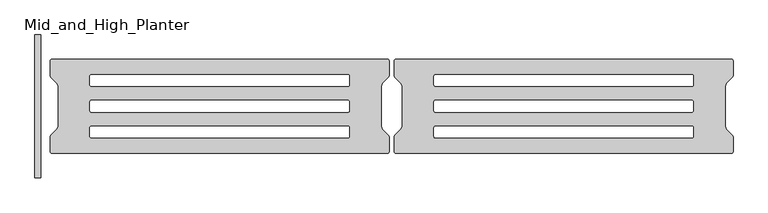
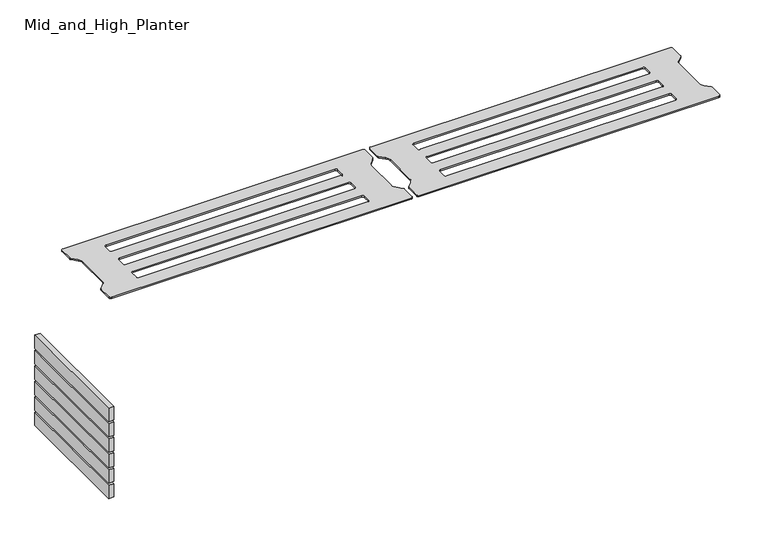
"""IFC4 building model written with IfcOpenShell, lengths in millimetres: furniture geometry, Mid_and_High_Planter."""

from ifc_helpers import new_model, si_unit, point, frame, frame_2d, origin, place, context, project, spatial, polyline, circle_curve, trimmed, segment, composite_curve, outline, extrude, source, transform, mapped, element, save


def mid_and_high_planter_fd7bc9b9(model_context):
    return source(origin(), model_context, "Body", "SweptSolid", [
        extrude(outline(composite_curve([segment(trimmed(circle_curve(frame_2d((-11.379763, 114.120237)), 4.879763), [point((-11.379763, 119.0))], [point((-6.5, 114.120237))], False, "CARTESIAN"), True, "CONTINUOUS"), segment(polyline([(-6.5, 114.120237), (-6.5, 77.6302561)]), True, "CONTINUOUS"), segment(trimmed(circle_curve(frame_2d((-12.85, 77.6302561)), 6.35), [point((-6.5, 77.6302561))], [point((-8.3598719, 73.1401281))], False, "CARTESIAN"), True, "CONTINUOUS"), segment(polyline([(-8.3598719, 73.1401281), (-20.9203842, 60.5796158)]), True, "CONTINUOUS"), segment(trimmed(circle_curve(frame_2d((-7.45, 47.1092316)), 19.05), [point((-20.9203842, 60.5796158))], [point((-26.5, 47.1092316))], True, "CARTESIAN"), True, "CONTINUOUS"), segment(polyline([(-26.5, 47.1092316), (-26.5, -47.1092316)]), True, "CONTINUOUS"), segment(trimmed(circle_curve(frame_2d((-7.45, -47.1092316)), 19.05), [point((-26.5, -47.1092316))], [point((-20.9203842, -60.5796158))], True, "CARTESIAN"), True, "CONTINUOUS"), segment(polyline([(-20.9203842, -60.5796158), (-8.3598719, -73.1401281)]), True, "CONTINUOUS"), segment(trimmed(circle_curve(frame_2d((-12.85, -77.6302561)), 6.35), [point((-8.3598719, -73.1401281))], [point((-6.5, -77.6302561))], False, "CARTESIAN"), True, "CONTINUOUS"), segment(polyline([(-6.5, -77.6302561), (-6.5, -114.120237)]), True, "CONTINUOUS"), segment(trimmed(circle_curve(frame_2d((-11.379763, -114.120237)), 4.879763), [point((-6.5, -114.120237))], [point((-11.379763, -119.0))], False, "CARTESIAN"), True, "CONTINUOUS"), segment(polyline([(-11.379763, -119.0), (-856.5, -119.0)]), True, "CONTINUOUS"), segment(trimmed(circle_curve(frame_2d((-856.5, -114.120237)), 4.879763), [point((-856.5, -119.0))], [point((-861.379763, -114.120237))], False, "CARTESIAN"), True, "CONTINUOUS"), segment(polyline([(-861.379763, -114.120237), (-861.379763, -77.6302561)]), True, "CONTINUOUS"), segment(trimmed(circle_curve(frame_2d((-855.029763, -77.6302561)), 6.35), [point((-861.379763, -77.6302561))], [point((-859.5198911, -73.1401281))], False, "CARTESIAN"), True, "CONTINUOUS"), segment(polyline([(-859.5198911, -73.1401281), (-846.9593788, -60.5796158)]), True, "CONTINUOUS"), segment(trimmed(circle_curve(frame_2d((-860.429763, -47.1092316)), 19.05), [point((-846.9593788, -60.5796158))], [point((-841.379763, -47.1092316))], True, "CARTESIAN"), True, "CONTINUOUS"), segment(polyline([(-841.379763, -47.1092316), (-841.379763, 47.1092316)]), True, "CONTINUOUS"), segment(trimmed(circle_curve(frame_2d((-860.429763, 47.1092316)), 19.05), [point((-841.379763, 47.1092316))], [point((-846.9593788, 60.5796158))], True, "CARTESIAN"), True, "CONTINUOUS"), segment(polyline([(-846.9593788, 60.5796158), (-859.5198911, 73.1401281)]), True, "CONTINUOUS"), segment(trimmed(circle_curve(frame_2d((-855.029763, 77.6302561)), 6.35), [point((-859.5198911, 73.1401281))], [point((-861.379763, 77.6302561))], False, "CARTESIAN"), True, "CONTINUOUS"), segment(polyline([(-861.379763, 77.6302561), (-861.379763, 114.120237)]), True, "CONTINUOUS"), segment(trimmed(circle_curve(frame_2d((-856.5, 114.120237)), 4.879763), [point((-861.379763, 114.120237))], [point((-856.5, 119.0))], False, "CARTESIAN"), True, "CONTINUOUS"), segment(polyline([(-856.5, 119.0), (-11.379763, 119.0)]), True, "CONTINUOUS")], self_intersect=False), holes=[composite_curve([segment(polyline([(-110.9316348, 80.0), (-756.9052758, 80.0)]), True, "CONTINUOUS"), segment(trimmed(circle_curve(frame_2d((-756.9052758, 75.7102758)), 4.2897242), [point((-756.9052758, 80.0))], [point((-761.195, 75.7102758))], True, "CARTESIAN"), True, "CONTINUOUS"), segment(polyline([(-761.195, 75.7102758), (-761.195, 54.072748)]), True, "CONTINUOUS"), segment(trimmed(circle_curve(frame_2d((-757.122252, 54.072748)), 4.072748), [point((-761.195, 54.072748))], [point((-757.122252, 50.0))], True, "CARTESIAN"), True, "CONTINUOUS"), segment(polyline([(-757.122252, 50.0), (-110.7992518, 50.0)]), True, "CONTINUOUS"), segment(trimmed(circle_curve(frame_2d((-110.7992518, 53.9942518)), 3.9942518), [point((-110.7992518, 50.0))], [point((-106.805, 53.9942518))], True, "CARTESIAN"), True, "CONTINUOUS"), segment(polyline([(-106.805, 53.9942518), (-106.805, 75.8733652)]), True, "CONTINUOUS"), segment(trimmed(circle_curve(frame_2d((-110.9316348, 75.8733652)), 4.1266348), [point((-106.805, 75.8733652))], [point((-110.9316348, 80.0))], True, "CARTESIAN"), True, "CONTINUOUS")], self_intersect=False), composite_curve([segment(polyline([(-110.9316348, 15.0), (-756.9052758, 15.0)]), True, "CONTINUOUS"), segment(trimmed(circle_curve(frame_2d((-756.9052758, 10.7102758)), 4.2897242), [point((-756.9052758, 15.0))], [point((-761.195, 10.7102758))], True, "CARTESIAN"), True, "CONTINUOUS"), segment(polyline([(-761.195, 10.7102758), (-761.195, -10.927252)]), True, "CONTINUOUS"), segment(trimmed(circle_curve(frame_2d((-757.122252, -10.927252)), 4.072748), [point((-761.195, -10.927252))], [point((-757.122252, -15.0))], True, "CARTESIAN"), True, "CONTINUOUS"), segment(polyline([(-757.122252, -15.0), (-110.7992518, -15.0)]), True, "CONTINUOUS"), segment(trimmed(circle_curve(frame_2d((-110.7992518, -11.0057482)), 3.9942518), [point((-110.7992518, -15.0))], [point((-106.805, -11.0057482))], True, "CARTESIAN"), True, "CONTINUOUS"), segment(polyline([(-106.805, -11.0057482), (-106.805, 10.8733652)]), True, "CONTINUOUS"), segment(trimmed(circle_curve(frame_2d((-110.9316348, 10.8733652)), 4.1266348), [point((-106.805, 10.8733652))], [point((-110.9316348, 15.0))], True, "CARTESIAN"), True, "CONTINUOUS")], self_intersect=False), composite_curve([segment(polyline([(-110.9316348, -50.0), (-756.9052758, -50.0)]), True, "CONTINUOUS"), segment(trimmed(circle_curve(frame_2d((-756.9052758, -54.2897242)), 4.2897242), [point((-756.9052758, -50.0))], [point((-761.195, -54.2897242))], True, "CARTESIAN"), True, "CONTINUOUS"), segment(polyline([(-761.195, -54.2897242), (-761.195, -75.927252)]), True, "CONTINUOUS"), segment(trimmed(circle_curve(frame_2d((-757.122252, -75.927252)), 4.072748), [point((-761.195, -75.927252))], [point((-757.122252, -80.0))], True, "CARTESIAN"), True, "CONTINUOUS"), segment(polyline([(-757.122252, -80.0), (-110.7992518, -80.0)]), True, "CONTINUOUS"), segment(trimmed(circle_curve(frame_2d((-110.7992518, -76.0057482)), 3.9942518), [point((-110.7992518, -80.0))], [point((-106.805, -76.0057482))], True, "CARTESIAN"), True, "CONTINUOUS"), segment(polyline([(-106.805, -76.0057482), (-106.805, -54.1266348)]), True, "CONTINUOUS"), segment(trimmed(circle_curve(frame_2d((-110.9316348, -54.1266348)), 4.1266348), [point((-106.805, -54.1266348))], [point((-110.9316348, -50.0))], True, "CARTESIAN"), True, "CONTINUOUS")], self_intersect=False)]), frame((0.0, 0.0, 565.5436917), z_axis=(0.0, 0.0, 1.0), x_axis=(1.0, 0.0, 0.0)), (0.0, 0.0, 1.0), 3.9),
        extrude(outline(composite_curve([segment(polyline([(11.379763, 119.0), (856.5, 119.0)]), True, "CONTINUOUS"), segment(trimmed(circle_curve(frame_2d((856.5, 114.120237)), 4.879763), [point((856.5, 119.0))], [point((861.379763, 114.120237))], False, "CARTESIAN"), True, "CONTINUOUS"), segment(polyline([(861.379763, 114.120237), (861.379763, 77.6302561)]), True, "CONTINUOUS"), segment(trimmed(circle_curve(frame_2d((855.029763, 77.6302561)), 6.35), [point((861.379763, 77.6302561))], [point((859.5198911, 73.1401281))], False, "CARTESIAN"), True, "CONTINUOUS"), segment(polyline([(859.5198911, 73.1401281), (846.9593788, 60.5796158)]), True, "CONTINUOUS"), segment(trimmed(circle_curve(frame_2d((860.429763, 47.1092316)), 19.05), [point((846.9593788, 60.5796158))], [point((841.379763, 47.1092316))], True, "CARTESIAN"), True, "CONTINUOUS"), segment(polyline([(841.379763, 47.1092316), (841.379763, -47.1092316)]), True, "CONTINUOUS"), segment(trimmed(circle_curve(frame_2d((860.429763, -47.1092316)), 19.05), [point((841.379763, -47.1092316))], [point((846.9593788, -60.5796158))], True, "CARTESIAN"), True, "CONTINUOUS"), segment(polyline([(846.9593788, -60.5796158), (859.5198911, -73.1401281)]), True, "CONTINUOUS"), segment(trimmed(circle_curve(frame_2d((855.029763, -77.6302561)), 6.35), [point((859.5198911, -73.1401281))], [point((861.379763, -77.6302561))], False, "CARTESIAN"), True, "CONTINUOUS"), segment(polyline([(861.379763, -77.6302561), (861.379763, -114.120237)]), True, "CONTINUOUS"), segment(trimmed(circle_curve(frame_2d((856.5, -114.120237)), 4.879763), [point((861.379763, -114.120237))], [point((856.5, -119.0))], False, "CARTESIAN"), True, "CONTINUOUS"), segment(polyline([(856.5, -119.0), (11.379763, -119.0)]), True, "CONTINUOUS"), segment(trimmed(circle_curve(frame_2d((11.379763, -114.120237)), 4.879763), [point((11.379763, -119.0))], [point((6.5, -114.120237))], False, "CARTESIAN"), True, "CONTINUOUS"), segment(polyline([(6.5, -114.120237), (6.5, -77.6302561)]), True, "CONTINUOUS"), segment(trimmed(circle_curve(frame_2d((12.85, -77.6302561)), 6.35), [point((6.5, -77.6302561))], [point((8.3598719, -73.1401281))], False, "CARTESIAN"), True, "CONTINUOUS"), segment(polyline([(8.3598719, -73.1401281), (20.9203842, -60.5796158)]), True, "CONTINUOUS"), segment(trimmed(circle_curve(frame_2d((7.45, -47.1092316)), 19.05), [point((20.9203842, -60.5796158))], [point((26.5, -47.1092316))], True, "CARTESIAN"), True, "CONTINUOUS"), segment(polyline([(26.5, -47.1092316), (26.5, 47.1092316)]), True, "CONTINUOUS"), segment(trimmed(circle_curve(frame_2d((7.45, 47.1092316)), 19.05), [point((26.5, 47.1092316))], [point((20.9203842, 60.5796158))], True, "CARTESIAN"), True, "CONTINUOUS"), segment(polyline([(20.9203842, 60.5796158), (8.3598719, 73.1401281)]), True, "CONTINUOUS"), segment(trimmed(circle_curve(frame_2d((12.85, 77.6302561)), 6.35), [point((8.3598719, 73.1401281))], [point((6.5, 77.6302561))], False, "CARTESIAN"), True, "CONTINUOUS"), segment(polyline([(6.5, 77.6302561), (6.5, 114.120237)]), True, "CONTINUOUS"), segment(trimmed(circle_curve(frame_2d((11.379763, 114.120237)), 4.879763), [point((6.5, 114.120237))], [point((11.379763, 119.0))], False, "CARTESIAN"), True, "CONTINUOUS")], self_intersect=False), holes=[composite_curve([segment(trimmed(circle_curve(frame_2d((110.9316348, 75.8733652)), 4.1266348), [point((110.9316348, 80.0))], [point((106.805, 75.8733652))], True, "CARTESIAN"), True, "CONTINUOUS"), segment(polyline([(106.805, 75.8733652), (106.805, 53.9942518)]), True, "CONTINUOUS"), segment(trimmed(circle_curve(frame_2d((110.7992518, 53.9942518)), 3.9942518), [point((106.805, 53.9942518))], [point((110.7992518, 50.0))], True, "CARTESIAN"), True, "CONTINUOUS"), segment(polyline([(110.7992518, 50.0), (757.122252, 50.0)]), True, "CONTINUOUS"), segment(trimmed(circle_curve(frame_2d((757.122252, 54.072748)), 4.072748), [point((757.122252, 50.0))], [point((761.195, 54.072748))], True, "CARTESIAN"), True, "CONTINUOUS"), segment(polyline([(761.195, 54.072748), (761.195, 75.7102758)]), True, "CONTINUOUS"), segment(trimmed(circle_curve(frame_2d((756.9052758, 75.7102758)), 4.2897242), [point((761.195, 75.7102758))], [point((756.9052758, 80.0))], True, "CARTESIAN"), True, "CONTINUOUS"), segment(polyline([(756.9052758, 80.0), (110.9316348, 80.0)]), True, "CONTINUOUS")], self_intersect=False), composite_curve([segment(trimmed(circle_curve(frame_2d((110.9316348, 10.8733652)), 4.1266348), [point((110.9316348, 15.0))], [point((106.805, 10.8733652))], True, "CARTESIAN"), True, "CONTINUOUS"), segment(polyline([(106.805, 10.8733652), (106.805, -11.0057482)]), True, "CONTINUOUS"), segment(trimmed(circle_curve(frame_2d((110.7992518, -11.0057482)), 3.9942518), [point((106.805, -11.0057482))], [point((110.7992518, -15.0))], True, "CARTESIAN"), True, "CONTINUOUS"), segment(polyline([(110.7992518, -15.0), (757.122252, -15.0)]), True, "CONTINUOUS"), segment(trimmed(circle_curve(frame_2d((757.122252, -10.927252)), 4.072748), [point((757.122252, -15.0))], [point((761.195, -10.927252))], True, "CARTESIAN"), True, "CONTINUOUS"), segment(polyline([(761.195, -10.927252), (761.195, 10.7102758)]), True, "CONTINUOUS"), segment(trimmed(circle_curve(frame_2d((756.9052758, 10.7102758)), 4.2897242), [point((761.195, 10.7102758))], [point((756.9052758, 15.0))], True, "CARTESIAN"), True, "CONTINUOUS"), segment(polyline([(756.9052758, 15.0), (110.9316348, 15.0)]), True, "CONTINUOUS")], self_intersect=False), composite_curve([segment(trimmed(circle_curve(frame_2d((110.9316348, -54.1266348)), 4.1266348), [point((110.9316348, -50.0))], [point((106.805, -54.1266348))], True, "CARTESIAN"), True, "CONTINUOUS"), segment(polyline([(106.805, -54.1266348), (106.805, -76.0057482)]), True, "CONTINUOUS"), segment(trimmed(circle_curve(frame_2d((110.7992518, -76.0057482)), 3.9942518), [point((106.805, -76.0057482))], [point((110.7992518, -80.0))], True, "CARTESIAN"), True, "CONTINUOUS"), segment(polyline([(110.7992518, -80.0), (757.122252, -80.0)]), True, "CONTINUOUS"), segment(trimmed(circle_curve(frame_2d((757.122252, -75.927252)), 4.072748), [point((757.122252, -80.0))], [point((761.195, -75.927252))], True, "CARTESIAN"), True, "CONTINUOUS"), segment(polyline([(761.195, -75.927252), (761.195, -54.2897242)]), True, "CONTINUOUS"), segment(trimmed(circle_curve(frame_2d((756.9052758, -54.2897242)), 4.2897242), [point((761.195, -54.2897242))], [point((756.9052758, -50.0))], True, "CARTESIAN"), True, "CONTINUOUS"), segment(polyline([(756.9052758, -50.0), (110.9316348, -50.0)]), True, "CONTINUOUS")], self_intersect=False)]), frame((0.0, 0.0, 565.5436917), z_axis=(0.0, 0.0, 1.0), x_axis=(1.0, 0.0, 0.0)), (0.0, 0.0, 1.0), 3.9),
        extrude(outline(polyline([(-885.0, 180.0), (-885.0, -180.0), (-900.0, -180.0), (-900.0, 180.0), (-885.0, 180.0)])), frame((0.0, 0.0, 249.9987302), z_axis=(0.0, 0.0, 1.0), x_axis=(1.0, 0.0, 0.0)), (0.0, 0.0, 1.0), 40.0),
        extrude(outline(polyline([(-885.0, 180.0), (-885.0, -180.0), (-900.0, -180.0), (-900.0, 180.0), (-885.0, 180.0)])), frame((0.0, 0.0, 203.9987302), z_axis=(0.0, 0.0, 1.0), x_axis=(1.0, 0.0, 0.0)), (0.0, 0.0, 1.0), 40.0),
        extrude(outline(polyline([(-885.0, 180.0), (-885.0, -180.0), (-900.0, -180.0), (-900.0, 180.0), (-885.0, 180.0)])), frame((0.0, 0.0, 157.9987302), z_axis=(0.0, 0.0, 1.0), x_axis=(1.0, 0.0, 0.0)), (0.0, 0.0, 1.0), 40.0),
        extrude(outline(polyline([(-885.0, 180.0), (-885.0, -180.0), (-900.0, -180.0), (-900.0, 180.0), (-885.0, 180.0)])), frame((0.0, 0.0, 111.9987302), z_axis=(0.0, 0.0, 1.0), x_axis=(1.0, 0.0, 0.0)), (0.0, 0.0, 1.0), 40.0),
        extrude(outline(polyline([(-885.0, 180.0), (-885.0, -180.0), (-900.0, -180.0), (-900.0, 180.0), (-885.0, 180.0)])), frame((0.0, 0.0, 65.9987302), z_axis=(0.0, 0.0, 1.0), x_axis=(1.0, 0.0, 0.0)), (0.0, 0.0, 1.0), 40.0),
        extrude(outline(polyline([(-885.0, 180.0), (-885.0, -180.0), (-900.0, -180.0), (-900.0, 180.0), (-885.0, 180.0)])), frame((0.0, 0.0, 19.9987302), z_axis=(0.0, 0.0, 1.0), x_axis=(1.0, 0.0, 0.0)), (0.0, 0.0, 1.0), 40.0),
    ])


if __name__ == "__main__":
    model = new_model("IFC4")
    model_context = context("Model", 3, world=origin())
    ifc_project = project(units=[si_unit("LENGTHUNIT", "METRE", prefix="MILLI")], contexts=[model_context])
    site = spatial("IfcSite", under=ifc_project)
    building = spatial("IfcBuilding", under=site)
    placement = place(None, origin())
    mid_and_high_planter_shape = mid_and_high_planter_fd7bc9b9(model_context)
    element("IfcFurniture", 1, ObjectType="Mid_and_High_Planter", at=placement, inside=building, context=model_context, shape_type="MappedRepresentation", body=[
        mapped(mid_and_high_planter_shape, transform((0.0, 0.0, 0.0), x_axis=(1.0, 0.0, 0.0), y_axis=(0.0, 1.0, 0.0), z_axis=(0.0, 0.0, 1.0))),
    ])
    save(model, "model.ifc")
